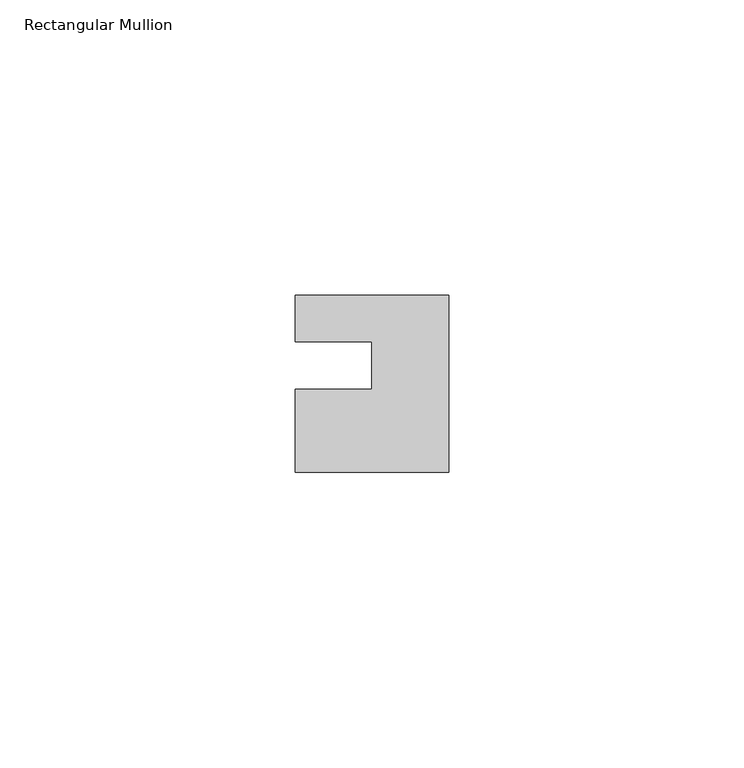
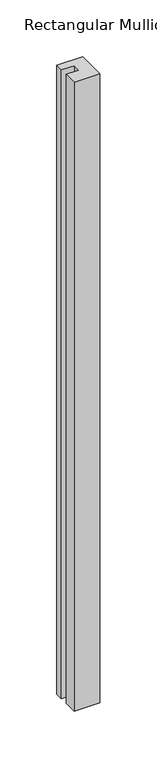
"""IFC4 building model written with IfcOpenShell, lengths in millimetres: member geometry, Rectangular Mullion."""

from ifc_helpers import new_model, si_unit, frame, origin, place, context, project, spatial, polyline, outline, extrude, source, transform, mapped, element, save


def rectangular_mullion_6bcff442(model_context):
    return source(origin(), model_context, "Body", "SweptSolid", [
        extrude(outline(polyline([(-26.0, 0.001), (-26.0, 7.94), (0.0, 7.94), (0.0, -22.06), (-26.0, -22.06), (-26.0, -8.0), (-13.0, -8.0), (-13.0, 0.001), (-26.0, 0.001)])), frame((0.0, 0.0, -674.1036395), z_axis=(0.0, 0.0, 1.0), x_axis=(1.0, 0.0, 0.0)), (0.0, 0.0, 1.0), 674.1036395),
    ])


if __name__ == "__main__":
    model = new_model("IFC4")
    model_context = context("Model", 3, world=origin())
    ifc_project = project(units=[si_unit("LENGTHUNIT", "METRE", prefix="MILLI")], contexts=[model_context])
    site = spatial("IfcSite", under=ifc_project)
    building = spatial("IfcBuilding", under=site)
    placement = place(None, origin())
    rectangular_mullion_shape = rectangular_mullion_6bcff442(model_context)
    element("IfcMember", 1, ObjectType="Rectangular Mullion", at=placement, inside=building, context=model_context, shape_type="MappedRepresentation", body=[
        mapped(rectangular_mullion_shape, transform((0.0, 0.0, 0.0), x_axis=(1.0, 0.0, 0.0), y_axis=(0.0, 1.0, 0.0), z_axis=(0.0, 0.0, 1.0))),
    ])
    save(model, "model.ifc")
